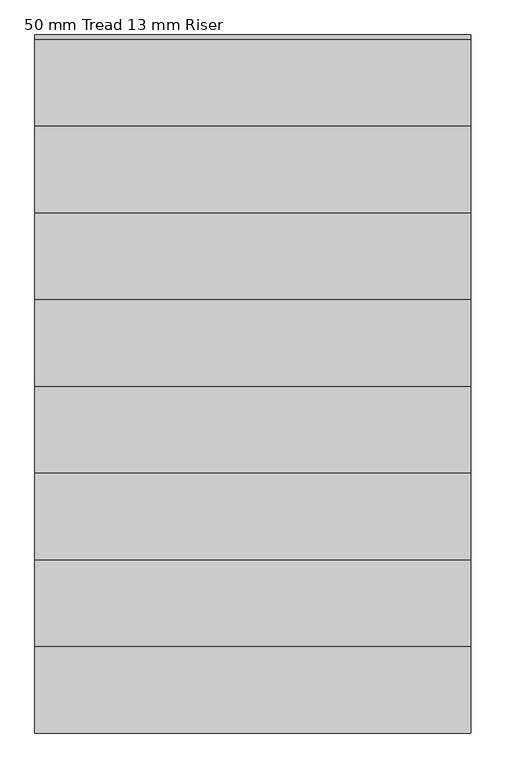
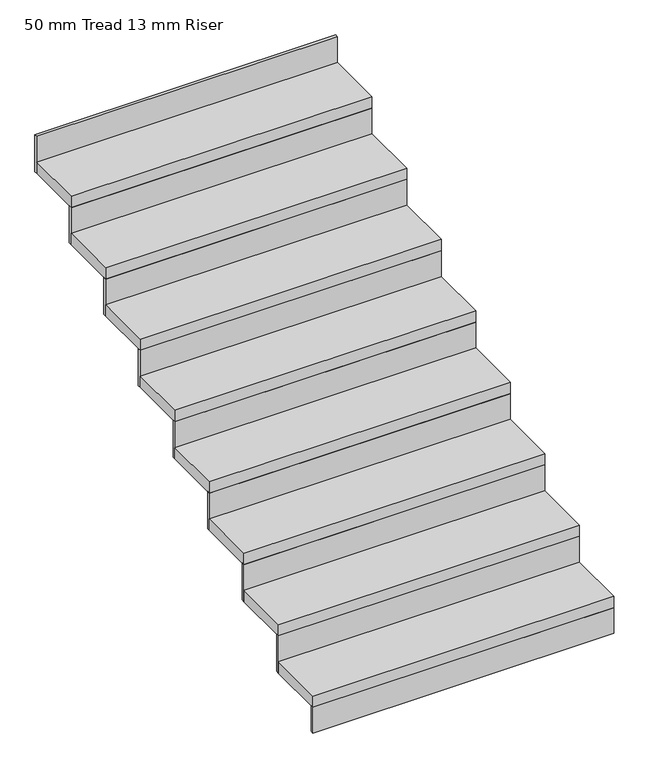
"""IFC4 building model written with IfcOpenShell, lengths in millimetres: stair flight geometry, 50 mm Tread 13 mm Riser."""

from ifc_helpers import new_model, si_unit, frame, origin, origin_with_axes, place, context, project, spatial, polyline, outline, extrude, source, transform, mapped, element, save


def stair_flight_50_mm_tread_13_mm_riser_9345d15c(model_context):
    return source(origin(), model_context, "Body", "SweptSolid", [
        extrude(outline(polyline([(-19122.5977279, 11591.4200407), (-19122.5977279, 11578.9200407), (-20380.166273, 11578.9200407), (-20380.166273, 11591.4200407), (-19122.5977279, 11591.4200407)])), origin_with_axes(), (0.0, 0.0, 1.0), 113.8888889),
        extrude(outline(polyline([(-20380.166273, 11828.9200407), (-19122.5977279, 11828.9200407), (-19122.5977279, 11578.9200407), (-20380.166273, 11578.9200407), (-20380.166273, 11828.9200407)])), frame((0.0, 0.0, 113.8888889), z_axis=(0.0, 0.0, 1.0), x_axis=(1.0, 0.0, 0.0)), (0.0, 0.0, 1.0), 50.0),
        extrude(outline(polyline([(-19122.5977279, 11841.4200407), (-19122.5977279, 11828.9200407), (-20380.166273, 11828.9200407), (-20380.166273, 11841.4200407), (-19122.5977279, 11841.4200407)])), frame((0.0, 0.0, 113.8888889), z_axis=(0.0, 0.0, 1.0), x_axis=(1.0, 0.0, 0.0)), (0.0, 0.0, 1.0), 163.8888889),
        extrude(outline(polyline([(-20380.166273, 12078.9200407), (-19122.5977279, 12078.9200407), (-19122.5977279, 11828.9200407), (-20380.166273, 11828.9200407), (-20380.166273, 12078.9200407)])), frame((0.0, 0.0, 277.7777778), z_axis=(0.0, 0.0, 1.0), x_axis=(1.0, 0.0, 0.0)), (0.0, 0.0, 1.0), 50.0),
        extrude(outline(polyline([(-19122.5977279, 12091.4200407), (-19122.5977279, 12078.9200407), (-20380.166273, 12078.9200407), (-20380.166273, 12091.4200407), (-19122.5977279, 12091.4200407)])), frame((0.0, 0.0, 277.7777778), z_axis=(0.0, 0.0, 1.0), x_axis=(1.0, 0.0, 0.0)), (0.0, 0.0, 1.0), 163.8888889),
        extrude(outline(polyline([(-20380.166273, 12328.9200407), (-19122.5977279, 12328.9200407), (-19122.5977279, 12078.9200407), (-20380.166273, 12078.9200407), (-20380.166273, 12328.9200407)])), frame((0.0, 0.0, 441.6666667), z_axis=(0.0, 0.0, 1.0), x_axis=(1.0, 0.0, 0.0)), (0.0, 0.0, 1.0), 50.0),
        extrude(outline(polyline([(-19122.5977279, 12341.4200407), (-19122.5977279, 12328.9200407), (-20380.166273, 12328.9200407), (-20380.166273, 12341.4200407), (-19122.5977279, 12341.4200407)])), frame((0.0, 0.0, 441.6666667), z_axis=(0.0, 0.0, 1.0), x_axis=(1.0, 0.0, 0.0)), (0.0, 0.0, 1.0), 163.8888889),
        extrude(outline(polyline([(-20380.166273, 12578.9200407), (-19122.5977279, 12578.9200407), (-19122.5977279, 12328.9200407), (-20380.166273, 12328.9200407), (-20380.166273, 12578.9200407)])), frame((0.0, 0.0, 605.5555556), z_axis=(0.0, 0.0, 1.0), x_axis=(1.0, 0.0, 0.0)), (0.0, 0.0, 1.0), 50.0),
        extrude(outline(polyline([(-19122.5977279, 12591.4200407), (-19122.5977279, 12578.9200407), (-20380.166273, 12578.9200407), (-20380.166273, 12591.4200407), (-19122.5977279, 12591.4200407)])), frame((0.0, 0.0, 605.5555556), z_axis=(0.0, 0.0, 1.0), x_axis=(1.0, 0.0, 0.0)), (0.0, 0.0, 1.0), 163.8888889),
        extrude(outline(polyline([(-20380.166273, 12828.9200407), (-19122.5977279, 12828.9200407), (-19122.5977279, 12578.9200407), (-20380.166273, 12578.9200407), (-20380.166273, 12828.9200407)])), frame((0.0, 0.0, 769.4444444), z_axis=(0.0, 0.0, 1.0), x_axis=(1.0, 0.0, 0.0)), (0.0, 0.0, 1.0), 50.0),
        extrude(outline(polyline([(-19122.5977279, 12841.4200407), (-19122.5977279, 12828.9200407), (-20380.166273, 12828.9200407), (-20380.166273, 12841.4200407), (-19122.5977279, 12841.4200407)])), frame((0.0, 0.0, 769.4444444), z_axis=(0.0, 0.0, 1.0), x_axis=(1.0, 0.0, 0.0)), (0.0, 0.0, 1.0), 163.8888889),
        extrude(outline(polyline([(-20380.166273, 13078.9200407), (-19122.5977279, 13078.9200407), (-19122.5977279, 12828.9200407), (-20380.166273, 12828.9200407), (-20380.166273, 13078.9200407)])), frame((0.0, 0.0, 933.3333333), z_axis=(0.0, 0.0, 1.0), x_axis=(1.0, 0.0, 0.0)), (0.0, 0.0, 1.0), 50.0),
        extrude(outline(polyline([(-19122.5977279, 13091.4200407), (-19122.5977279, 13078.9200407), (-20380.166273, 13078.9200407), (-20380.166273, 13091.4200407), (-19122.5977279, 13091.4200407)])), frame((0.0, 0.0, 933.3333333), z_axis=(0.0, 0.0, 1.0), x_axis=(1.0, 0.0, 0.0)), (0.0, 0.0, 1.0), 163.8888889),
        extrude(outline(polyline([(-20380.166273, 13328.9200407), (-19122.5977279, 13328.9200407), (-19122.5977279, 13078.9200407), (-20380.166273, 13078.9200407), (-20380.166273, 13328.9200407)])), frame((0.0, 0.0, 1097.2222222), z_axis=(0.0, 0.0, 1.0), x_axis=(1.0, 0.0, 0.0)), (0.0, 0.0, 1.0), 50.0),
        extrude(outline(polyline([(-19122.5977279, 13341.4200407), (-19122.5977279, 13328.9200407), (-20380.166273, 13328.9200407), (-20380.166273, 13341.4200407), (-19122.5977279, 13341.4200407)])), frame((0.0, 0.0, 1097.2222222), z_axis=(0.0, 0.0, 1.0), x_axis=(1.0, 0.0, 0.0)), (0.0, 0.0, 1.0), 163.8888889),
        extrude(outline(polyline([(-19122.5977279, 13591.4200407), (-19122.5977279, 13578.9200407), (-20380.166273, 13578.9200407), (-20380.166273, 13591.4200407), (-19122.5977279, 13591.4200407)])), frame((0.0, 0.0, 1261.1111111), z_axis=(0.0, 0.0, 1.0), x_axis=(1.0, 0.0, 0.0)), (0.0, 0.0, 1.0), 163.8888889),
        extrude(outline(polyline([(-20380.166273, 13578.9200407), (-19122.5977279, 13578.9200407), (-19122.5977279, 13328.9200407), (-20380.166273, 13328.9200407), (-20380.166273, 13578.9200407)])), frame((0.0, 0.0, 1261.1111111), z_axis=(0.0, 0.0, 1.0), x_axis=(1.0, 0.0, 0.0)), (0.0, 0.0, 1.0), 50.0),
    ])


if __name__ == "__main__":
    model = new_model("IFC4")
    model_context = context("Model", 3, world=origin())
    ifc_project = project(units=[si_unit("LENGTHUNIT", "METRE", prefix="MILLI")], contexts=[model_context])
    site = spatial("IfcSite", under=ifc_project)
    building = spatial("IfcBuilding", under=site)
    placement = place(None, origin())
    stair_flight_50_mm_tread_13_mm_riser_shape = stair_flight_50_mm_tread_13_mm_riser_9345d15c(model_context)
    element("IfcStairFlight", 1, ObjectType="50 mm Tread 13 mm Riser", at=placement, inside=building, context=model_context, shape_type="MappedRepresentation", body=[
        mapped(stair_flight_50_mm_tread_13_mm_riser_shape, transform((0.0, 0.0, 0.0), x_axis=(1.0, 0.0, 0.0), y_axis=(0.0, 1.0, 0.0), z_axis=(0.0, 0.0, 1.0))),
    ])
    save(model, "model.ifc")
